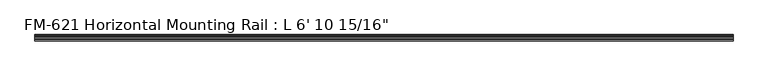
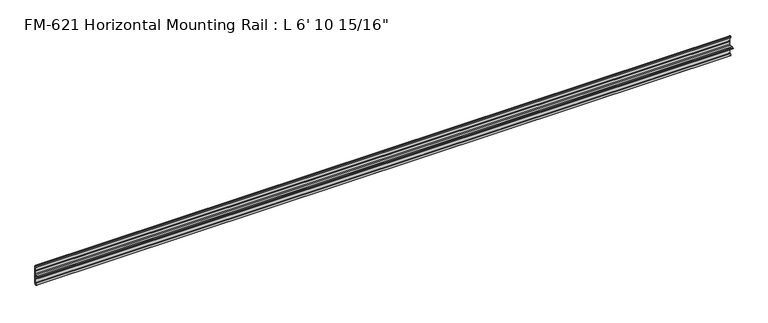
"""IFC4 building model written with IfcOpenShell, lengths in millimetres: proxy geometry."""

from ifc_helpers import new_model, si_unit, point, frame, frame_2d, origin, place, context, project, spatial, polyline, circle_curve, trimmed, segment, composite_curve, outline, extrude, source, transform, mapped, element, save


def proxy_d35b79b7(model_context):
    return source(origin(), model_context, "Body", "SweptSolid", [
        extrude(outline(composite_curve([segment(polyline([(13.6400687, 32.1158903), (15.4750158, 32.6885982)]), True, "CONTINUOUS"), segment(trimmed(circle_curve(frame_2d((15.6853088, 32.2686835)), 0.4696291), [point((15.4750158, 32.6885982))], [point((16.1549378, 32.2686835))], False, "CARTESIAN"), True, "CONTINUOUS"), segment(polyline([(16.1549378, 32.2686835), (16.1549378, 30.7270734)]), True, "CONTINUOUS"), segment(trimmed(circle_curve(frame_2d((17.7424378, 30.7270734)), 1.5875), [point((16.1549378, 30.7270734))], [point((17.7424378, 29.1395734))], True, "CARTESIAN"), True, "CONTINUOUS"), segment(polyline([(17.7424378, 29.1395734), (19.05, 29.1395734), (19.05, 0.0), (19.05, -27.5520734), (17.7424378, -27.5520734)]), True, "CONTINUOUS"), segment(trimmed(circle_curve(frame_2d((17.7424378, -29.1395734)), 1.5875), [point((17.7424378, -27.5520734))], [point((16.1549378, -29.1395734))], True, "CARTESIAN"), True, "CONTINUOUS"), segment(polyline([(16.1549378, -29.1395734), (16.1549378, -30.6811835)]), True, "CONTINUOUS"), segment(trimmed(circle_curve(frame_2d((15.6853088, -30.6811835)), 0.4696291), [point((16.1549378, -30.6811835))], [point((15.4750158, -31.1010982))], False, "CARTESIAN"), True, "CONTINUOUS"), segment(polyline([(15.4750158, -31.1010982), (13.6400687, -30.5283903)]), True, "CONTINUOUS"), segment(trimmed(circle_curve(frame_2d((14.5481808, -27.6188136)), 3.048), [point((13.6400687, -30.5283903))], [point((11.9462301, -29.2063136))], False, "CARTESIAN"), True, "CONTINUOUS"), segment(trimmed(circle_curve(frame_2d((14.5481808, -27.6188136)), 3.048), [point((11.9462301, -29.2063136))], [point((13.6400687, -24.7092369))], False, "CARTESIAN"), True, "CONTINUOUS"), segment(polyline([(13.6400687, -24.7092369), (15.4364113, -24.1485779)]), True, "CONTINUOUS"), segment(trimmed(circle_curve(frame_2d((15.6245238, -24.6872792)), 0.5706009), [point((15.4364113, -24.1485779))], [point((16.1779173, -24.8263515))], False, "CARTESIAN"), True, "CONTINUOUS"), segment(trimmed(circle_curve(frame_2d((16.9169378, -25.0120734)), 0.762), [point((16.1779173, -24.8263515))], [point((16.9376166, -25.7737928))], True, "CARTESIAN"), True, "CONTINUOUS"), segment(trimmed(circle_curve(frame_2d((16.9545, -25.2660734)), 0.508), [point((16.9376166, -25.7737928))], [point((17.4625, -25.2660734))], True, "CARTESIAN"), True, "CONTINUOUS"), segment(polyline([(17.4625, -25.2660734), (17.4625, -14.0784614), (17.9716639, -13.1610418), (17.9716639, -11.820881), (17.4625, -10.9034614), (17.4625, -1.9277595)]), True, "CONTINUOUS"), segment(trimmed(circle_curve(frame_2d((15.5575, -1.9277595)), 1.905), [point((17.4625, -1.9277595))], [point((15.5575, -0.0227595))], True, "CARTESIAN"), True, "CONTINUOUS"), segment(polyline([(15.5575, -0.0227595), (6.3855322, -0.0227595)]), True, "CONTINUOUS"), segment(trimmed(circle_curve(frame_2d((4.7981953, 0.0)), 1.5875), [point((6.3855322, -0.0227595))], [point((3.2106953, 0.0))], False, "CARTESIAN"), True, "CONTINUOUS"), segment(polyline([(3.2106953, 0.0), (0.0, 0.0), (0.0, 1.5875), (3.2106953, 1.5875)]), True, "CONTINUOUS"), segment(trimmed(circle_curve(frame_2d((4.7981953, 1.5875)), 1.5875), [point((3.2106953, 1.5875))], [point((6.3855322, 1.6102595))], False, "CARTESIAN"), True, "CONTINUOUS"), segment(polyline([(6.3855322, 1.6102595), (15.5575, 1.6102595)]), True, "CONTINUOUS"), segment(trimmed(circle_curve(frame_2d((15.5575, 3.5152595)), 1.905), [point((15.5575, 1.6102595))], [point((17.4625, 3.5152595))], True, "CARTESIAN"), True, "CONTINUOUS"), segment(polyline([(17.4625, 3.5152595), (17.4625, 12.4909614), (17.9716639, 13.408381), (17.9716639, 14.7485418), (17.4625, 15.6659614), (17.4625, 26.8535734)]), True, "CONTINUOUS"), segment(trimmed(circle_curve(frame_2d((16.9545, 26.8535734)), 0.508), [point((17.4625, 26.8535734))], [point((16.9376166, 27.3612928))], True, "CARTESIAN"), True, "CONTINUOUS"), segment(trimmed(circle_curve(frame_2d((16.9169378, 26.5995734)), 0.762), [point((16.9376166, 27.3612928))], [point((16.1779173, 26.4138515))], True, "CARTESIAN"), True, "CONTINUOUS"), segment(trimmed(circle_curve(frame_2d((15.6245238, 26.2747792)), 0.5706009), [point((16.1779173, 26.4138515))], [point((15.4364113, 25.7360779))], False, "CARTESIAN"), True, "CONTINUOUS"), segment(polyline([(15.4364113, 25.7360779), (13.6400687, 26.2967369)]), True, "CONTINUOUS"), segment(trimmed(circle_curve(frame_2d((14.5481808, 29.2063136)), 3.048), [point((13.6400687, 26.2967369))], [point((11.9462301, 30.7938136))], False, "CARTESIAN"), True, "CONTINUOUS"), segment(trimmed(circle_curve(frame_2d((14.5481808, 29.2063136)), 3.048), [point((11.9462301, 30.7938136))], [point((13.6400687, 32.1158903))], False, "CARTESIAN"), True, "CONTINUOUS")], self_intersect=False)), frame((0.0, 0.0, 0.0), z_axis=(1.0, 0.0, 0.0), x_axis=(0.0, 1.0, 0.0)), (0.0, 0.0, 1.0), 2106.6125),
    ])


if __name__ == "__main__":
    model = new_model("IFC4")
    model_context = context("Model", 3, world=origin())
    ifc_project = project(units=[si_unit("LENGTHUNIT", "METRE", prefix="MILLI")], contexts=[model_context])
    site = spatial("IfcSite", under=ifc_project)
    building = spatial("IfcBuilding", under=site)
    placement = place(None, origin())
    proxy_shape = proxy_d35b79b7(model_context)
    element("IfcBuildingElementProxy", 1, Name="FM-621 Horizontal Mounting Rail : L 6' 10 15/16\"", ObjectType="FM-621 Horizontal Mounting Rail : L 6' 10 15/16\"", at=placement, inside=building, context=model_context, shape_type="MappedRepresentation", body=[
        mapped(proxy_shape, transform((0.0, 0.0, 0.0), x_axis=(1.0, 0.0, 0.0), y_axis=(0.0, 1.0, 0.0), z_axis=(0.0, 0.0, 1.0))),
    ])
    save(model, "model.ifc")
